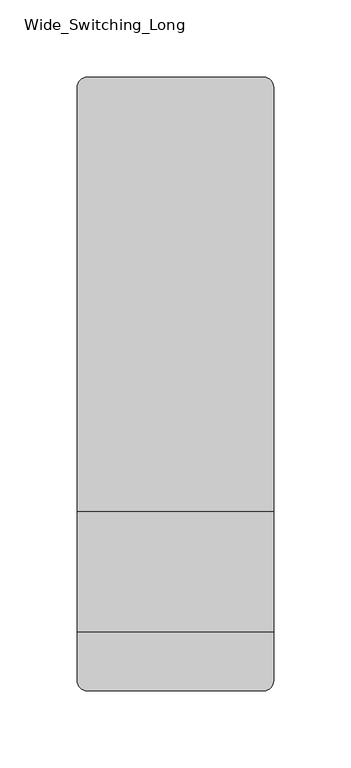
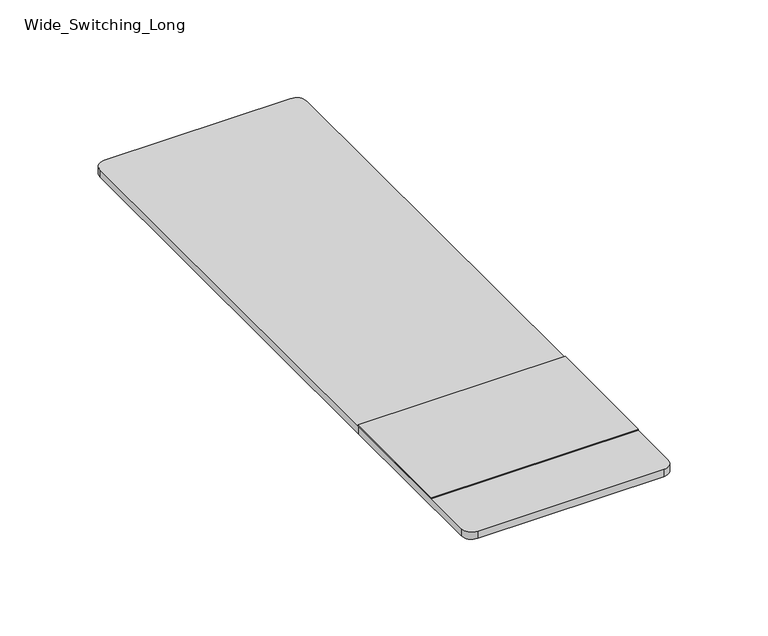
"""IFC4 building model written with IfcOpenShell, lengths in millimetres: furniture geometry, Wide_Switching_Long."""

import ifcopenshell
import ifcopenshell.guid

model = None  # the IFC model being written
_history = None  # IfcOwnerHistory: only IFC2X3 demands one
_inside = {}  # id of a spatial element -> (the spatial element, [elements in it])
_under = {}  # id of a project, library or spatial element -> (it, [spatial elements below it])
_declared = {}  # id of a project -> (the project, [libraries it declares])
_typed = {}  # id of a type object -> (the type object, [elements of that type])
_made_of = {}  # id of a material, layer set ... -> (it, [elements and type objects made of it])


def new_model(schema):
    """Start an empty IFC model of exactly this schema.

    Asked for "IFC4X3", IfcOpenShell would pick the latest addendum, in which some entities
    have other attributes; the version numbers below select the first issue.
    IFC2X3 requires an IfcOwnerHistory on every rooted entity: one is made here for all.
    """
    global model, _history
    if schema == "IFC4X3":
        model = ifcopenshell.file(schema_version=(4, 3, 0, 0))
    else:
        model = ifcopenshell.file(schema=schema)
    _inside.clear()
    _under.clear()
    _declared.clear()
    _typed.clear()
    _made_of.clear()
    _history = None
    if model.schema == "IFC2X3":
        org = make("IfcOrganization", Name="unknown")
        user = make(
            "IfcPersonAndOrganization",
            ThePerson=make("IfcPerson", FamilyName="unknown"),
            TheOrganization=org,
        )
        app = make(
            "IfcApplication",
            ApplicationDeveloper=org,
            Version="unknown",
            ApplicationFullName="unknown",
            ApplicationIdentifier="unknown",
        )
        _history = make(
            "IfcOwnerHistory",
            OwningUser=user,
            OwningApplication=app,
            ChangeAction="ADDED",
            CreationDate=0,
        )
    return model


def make(cls, **values):
    """One entity of the class cls with the attributes given. An attribute that is None is left unset."""
    return model.create_entity(
        cls, **{name: value for name, value in values.items() if value is not None}
    )


def rooted(cls, **values):
    """An entity with a GlobalId (a new one), such as an element, a storey or a relation."""
    return make(cls, GlobalId=ifcopenshell.guid.new(), OwnerHistory=_history, **values)


def si_unit(unit_type, name, prefix=None):
    """IfcSIUnit, for example si_unit("LENGTHUNIT", "METRE", prefix="MILLI")."""
    return make("IfcSIUnit", UnitType=unit_type, Prefix=prefix, Name=name)


def assignment(units):
    """IfcUnitAssignment: the units of a project."""
    return None if units is None else make("IfcUnitAssignment", Units=units)


def point(xyz):
    """IfcCartesianPoint."""
    return None if xyz is None else make("IfcCartesianPoint", Coordinates=xyz)


def direction(xyz):
    """IfcDirection."""
    return None if xyz is None else make("IfcDirection", DirectionRatios=xyz)


def frame(location, z_axis=None, x_axis=None):
    """IfcAxis2Placement3D, a coordinate frame: its origin and axes. An axis left out is left unset."""
    return make(
        "IfcAxis2Placement3D",
        Location=point(location),
        Axis=direction(z_axis),
        RefDirection=direction(x_axis),
    )


def frame_2d(location, x_axis=None):
    """IfcAxis2Placement2D, a coordinate frame in the plane: its origin and x axis."""
    return make(
        "IfcAxis2Placement2D", Location=point(location), RefDirection=direction(x_axis)
    )


def origin():
    """The frame at (0, 0, 0) with its axes left unset."""
    return frame((0.0, 0.0, 0.0))


def place(relative_to, where):
    """IfcLocalPlacement: puts the frame where relative to a parent placement (None: the world)."""
    return make(
        "IfcLocalPlacement", PlacementRelTo=relative_to, RelativePlacement=where
    )


def context(
    kind, dimensions, precision=None, world=None, true_north=None, identifier=None
):
    """IfcGeometricRepresentationContext, for example the 3D "Model" context."""
    return make(
        "IfcGeometricRepresentationContext",
        ContextIdentifier=identifier,
        ContextType=kind,
        CoordinateSpaceDimension=dimensions,
        Precision=precision,
        WorldCoordinateSystem=world,
        TrueNorth=true_north,
    )


def project(units=None, contexts=None):
    """IfcProject with its units and contexts."""
    return rooted(
        "IfcProject",
        Name="project",
        RepresentationContexts=contexts,
        UnitsInContext=assignment(units),
    )


def spatial(cls, under=None, at=None, **own):
    """A site, building, storey or space (cls), placed at a placement, below another one or the project."""
    s = rooted(cls, ObjectPlacement=at, **own)
    if under is not None:
        _under.setdefault(under.id(), (under, []))[1].append(s)
    return s


def polyline(points):
    """IfcPolyline through the points."""
    return make("IfcPolyline", Points=[point(p) for p in points])


def circle_curve(where, radius):
    """IfcCircle in the frame where."""
    return make("IfcCircle", Position=where, Radius=radius)


def trimmed(basis, trim1, trim2, sense, master):
    """IfcTrimmedCurve: the piece of a basis curve between two trims."""
    return make(
        "IfcTrimmedCurve",
        BasisCurve=basis,
        Trim1=trim1,
        Trim2=trim2,
        SenseAgreement=sense,
        MasterRepresentation=master,
    )


def segment(curve, same_sense, transition):
    """IfcCompositeCurveSegment."""
    return make(
        "IfcCompositeCurveSegment",
        Transition=transition,
        SameSense=same_sense,
        ParentCurve=curve,
    )


def composite_curve(segments, self_intersect=None):
    """IfcCompositeCurve: segments joined end to end."""
    return make("IfcCompositeCurve", Segments=segments, SelfIntersect=self_intersect)


def outline(outer, holes=None, kind="AREA"):
    """IfcArbitraryClosedProfileDef: a profile drawn as a closed curve; with holes, ...WithVoids."""
    if holes is None:
        return make("IfcArbitraryClosedProfileDef", ProfileType=kind, OuterCurve=outer)
    return make(
        "IfcArbitraryProfileDefWithVoids",
        ProfileType=kind,
        OuterCurve=outer,
        InnerCurves=holes,
    )


def extrude(swept, where, along, depth):
    """IfcExtrudedAreaSolid: the profile swept, set in the frame where, extruded along a direction by depth."""
    return make(
        "IfcExtrudedAreaSolid",
        SweptArea=swept,
        Position=where,
        ExtrudedDirection=direction(along),
        Depth=depth,
    )


def shape(context_of_items, identifier, shape_type, items):
    """IfcShapeRepresentation: the items that make up one representation, for example the "Body"."""
    return make(
        "IfcShapeRepresentation",
        ContextOfItems=context_of_items,
        RepresentationIdentifier=identifier,
        RepresentationType=shape_type,
        Items=items,
    )


def source(mapping_origin, context_of_items, identifier, shape_type, items):
    """IfcRepresentationMap: a shape defined once, which mapped items show again and again."""
    return make(
        "IfcRepresentationMap",
        MappingOrigin=mapping_origin,
        MappedRepresentation=shape(context_of_items, identifier, shape_type, items),
    )


def transform(
    local_origin,
    x_axis=None,
    y_axis=None,
    z_axis=None,
    scale=None,
    scale2=None,
    scale3=None,
    uniform=True,
):
    """IfcCartesianTransformationOperator3D, or its non-uniform kind. x_axis, y_axis, z_axis: its Axis1, 2, 3."""
    if uniform:
        return make(
            "IfcCartesianTransformationOperator3D",
            Axis1=direction(x_axis),
            Axis2=direction(y_axis),
            LocalOrigin=point(local_origin),
            Scale=scale,
            Axis3=direction(z_axis),
        )
    return make(
        "IfcCartesianTransformationOperator3DnonUniform",
        Axis1=direction(x_axis),
        Axis2=direction(y_axis),
        LocalOrigin=point(local_origin),
        Scale=scale,
        Axis3=direction(z_axis),
        Scale2=scale2,
        Scale3=scale3,
    )


def mapped(mapping_source, mapping_target):
    """IfcMappedItem: shows the shape of a source again, moved by a transform."""
    return make(
        "IfcMappedItem", MappingSource=mapping_source, MappingTarget=mapping_target
    )


def made_of(thing, what):
    """Note that an element or type object is made of a material, layer set ...; save() writes the relation."""
    if what is not None:
        _made_of.setdefault(what.id(), (what, []))[1].append(thing)
    return thing


def element(
    cls,
    number,
    at=None,
    inside=None,
    cuts=None,
    type_object=None,
    material=None,
    context=None,
    identifier="Body",
    shape_type=None,
    held_by="IfcProductDefinitionShape",
    body=None,
    shapes=None,
    **own,
):
    """One element of the class cls, such as IfcWall. Its Tag is "e" and its number.

    at: its placement. inside: the storey or other place that contains it. cuts: it is an
    opening in that element (IfcRelVoidsElement). A single representation is given by context,
    identifier, shape_type and body (its items); several are given by shapes. held_by: the class
    of the entity that holds the representations. save() writes the other relations.
    """
    e = rooted(cls, Tag="e%d" % number, ObjectPlacement=at, **own)
    if body is not None:
        shapes = [shape(context, identifier, shape_type, body)]
    if shapes is not None:
        e.Representation = make(held_by, Representations=shapes)
    if inside is not None:
        _inside.setdefault(inside.id(), (inside, []))[1].append(e)
    if cuts is not None:
        rooted(
            "IfcRelVoidsElement", RelatingBuildingElement=cuts, RelatedOpeningElement=e
        )
    if type_object is not None:
        _typed.setdefault(type_object.id(), (type_object, []))[1].append(e)
    return made_of(e, material)


def aggregate(whole, parts):
    """IfcRelAggregates: a whole, such as a stair, and the parts it consists of."""
    return rooted("IfcRelAggregates", RelatingObject=whole, RelatedObjects=parts)


def save(model, path):
    """Write the relations noted so far, then the file.

    IfcRelAggregates (storeys below a building ...), IfcRelContainedInSpatialStructure (elements
    in a storey), IfcRelDefinesByType, IfcRelAssociatesMaterial and IfcRelDeclares: one each for
    every whole, place, type object, material and project.
    """
    for whole, parts in _under.values():
        aggregate(whole, parts)
    for where, things in _inside.values():
        rooted(
            "IfcRelContainedInSpatialStructure",
            RelatedElements=things,
            RelatingStructure=where,
        )
    for kind, things in _typed.values():
        rooted("IfcRelDefinesByType", RelatedObjects=things, RelatingType=kind)
    for what, things in _made_of.values():
        rooted("IfcRelAssociatesMaterial", RelatedObjects=things, RelatingMaterial=what)
    for by, libraries in _declared.values():
        rooted("IfcRelDeclares", RelatingContext=by, RelatedDefinitions=libraries)
    model.write(path)


def wide_switching_long_1d1fd842(model_context):
    return source(origin(), model_context, "Body", "SweptSolid", [
        extrude(outline(polyline([(279.4, -622.0284766), (279.4, -699.8159766), (152.4, -699.8159766), (152.4, -622.0284766), (279.4, -622.0284766)])), frame((0.0, 0.0, 741.3625), z_axis=(0.0, 0.0, 1.0), x_axis=(1.0, 0.0, 0.0)), (0.0, 0.0, 1.0), 0.79375),
        extrude(outline(composite_curve([segment(trimmed(circle_curve(frame_2d((273.05, -347.3909766)), 6.35), [point((273.05, -341.0409766))], [point((279.4, -347.3909766))], False, "CARTESIAN"), True, "CONTINUOUS"), segment(polyline([(279.4, -347.3909766), (279.4, -622.0284766), (152.4, -622.0284766), (152.4, -347.3909766)]), True, "CONTINUOUS"), segment(trimmed(circle_curve(frame_2d((158.75, -347.3909766)), 6.35), [point((152.4, -347.3909766))], [point((158.75, -341.0409766))], False, "CARTESIAN"), True, "CONTINUOUS"), segment(polyline([(158.75, -341.0409766), (273.05, -341.0409766)]), True, "CONTINUOUS")], self_intersect=False)), frame((0.0, 0.0, 736.6), z_axis=(0.0, 0.0, 1.0), x_axis=(1.0, 0.0, 0.0)), (0.0, 0.0, 1.0), 4.7625),
        extrude(outline(composite_curve([segment(polyline([(279.4, -622.0284766), (279.4, -731.5659766)]), True, "CONTINUOUS"), segment(trimmed(circle_curve(frame_2d((273.05, -731.5659766)), 6.35), [point((279.4, -731.5659766))], [point((273.05, -737.9159766))], False, "CARTESIAN"), True, "CONTINUOUS"), segment(polyline([(273.05, -737.9159766), (158.75, -737.9159766)]), True, "CONTINUOUS"), segment(trimmed(circle_curve(frame_2d((158.75, -731.5659766)), 6.35), [point((158.75, -737.9159766))], [point((152.4, -731.5659766))], False, "CARTESIAN"), True, "CONTINUOUS"), segment(polyline([(152.4, -731.5659766), (152.4, -622.0284766), (279.4, -622.0284766)]), True, "CONTINUOUS")], self_intersect=False)), frame((0.0, 0.0, 736.6), z_axis=(0.0, 0.0, 1.0), x_axis=(1.0, 0.0, 0.0)), (0.0, 0.0, 1.0), 4.7625),
    ])


if __name__ == "__main__":
    model = new_model("IFC4")
    model_context = context("Model", 3, world=origin())
    ifc_project = project(units=[si_unit("LENGTHUNIT", "METRE", prefix="MILLI")], contexts=[model_context])
    site = spatial("IfcSite", under=ifc_project)
    building = spatial("IfcBuilding", under=site)
    placement = place(None, origin())
    wide_switching_long_shape = wide_switching_long_1d1fd842(model_context)
    element("IfcFurniture", 1, ObjectType="Wide_Switching_Long", at=placement, inside=building, context=model_context, shape_type="MappedRepresentation", body=[
        mapped(wide_switching_long_shape, transform((0.0, 0.0, 0.0), x_axis=(1.0, 0.0, 0.0), y_axis=(0.0, 1.0, 0.0), z_axis=(0.0, 0.0, 1.0))),
    ])
    save(model, "model.ifc")
